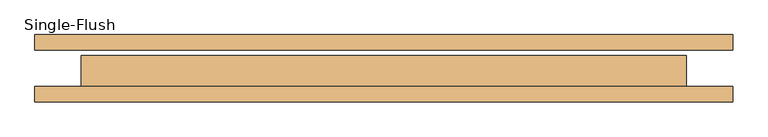
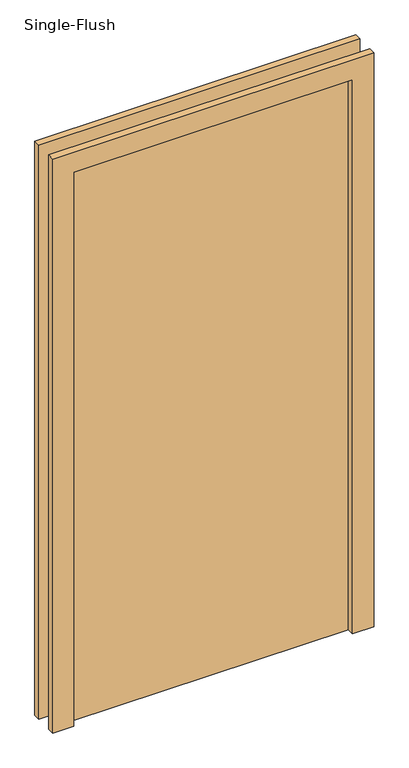
"""IFC4 building model written with IfcOpenShell, lengths in millimetres: door geometry, Single-Flush."""

from ifc_helpers import new_model, si_unit, frame, origin, origin_with_axes, place, context, project, spatial, polyline, outline, extrude, source, transform, mapped, element, save


def single_flush_7a7aeb8e(model_context):
    return source(origin(), model_context, "Body", "SweptSolid", [
        extrude(outline(polyline([(2176.2, -576.2), (0.0, -576.2), (0.0, -500.0), (2100.0, -500.0), (2100.0, 500.0), (0.0, 500.0), (0.0, 576.2), (2176.2, 576.2), (2176.2, -576.2)])), frame((0.0, -55.4, 0.0), z_axis=(0.0, 1.0, 0.0), x_axis=(0.0, 0.0, 1.0)), (0.0, 0.0, 1.0), 25.4),
        extrude(outline(polyline([(2176.2, 576.2), (2176.2, -576.2), (0.0, -576.2), (0.0, -500.0), (2100.0, -500.0), (2100.0, 500.0), (0.0, 500.0), (0.0, 576.2), (2176.2, 576.2)])), frame((0.0, 30.0, 0.0), z_axis=(0.0, 1.0, 0.0), x_axis=(0.0, 0.0, 1.0)), (0.0, 0.0, 1.0), 25.4),
        extrude(outline(polyline([(500.0, 20.8), (500.0, -30.0), (-500.0, -30.0), (-500.0, 20.8), (500.0, 20.8)])), origin_with_axes(), (0.0, 0.0, 1.0), 2100.0),
    ])


if __name__ == "__main__":
    model = new_model("IFC4")
    model_context = context("Model", 3, world=origin())
    ifc_project = project(units=[si_unit("LENGTHUNIT", "METRE", prefix="MILLI")], contexts=[model_context])
    site = spatial("IfcSite", under=ifc_project)
    building = spatial("IfcBuilding", under=site)
    placement = place(None, origin())
    single_flush_shape = single_flush_7a7aeb8e(model_context)
    element("IfcDoor", 1, ObjectType="Single-Flush", at=placement, inside=building, context=model_context, shape_type="MappedRepresentation", body=[
        mapped(single_flush_shape, transform((0.0, 0.0, 0.0), x_axis=(1.0, 0.0, 0.0), y_axis=(0.0, 1.0, 0.0), z_axis=(0.0, 0.0, 1.0))),
    ])
    save(model, "model.ifc")
